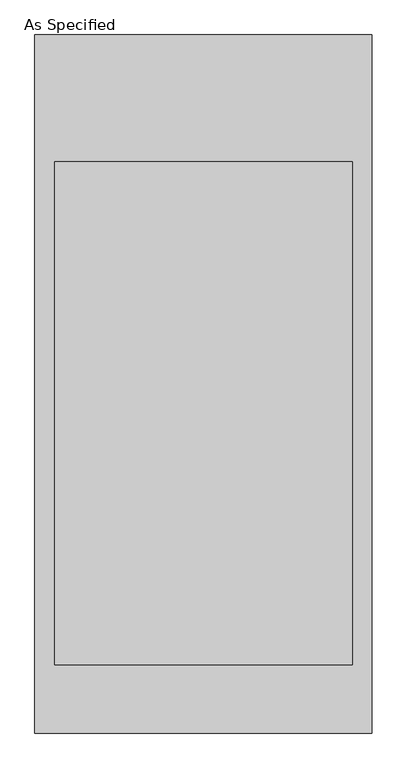
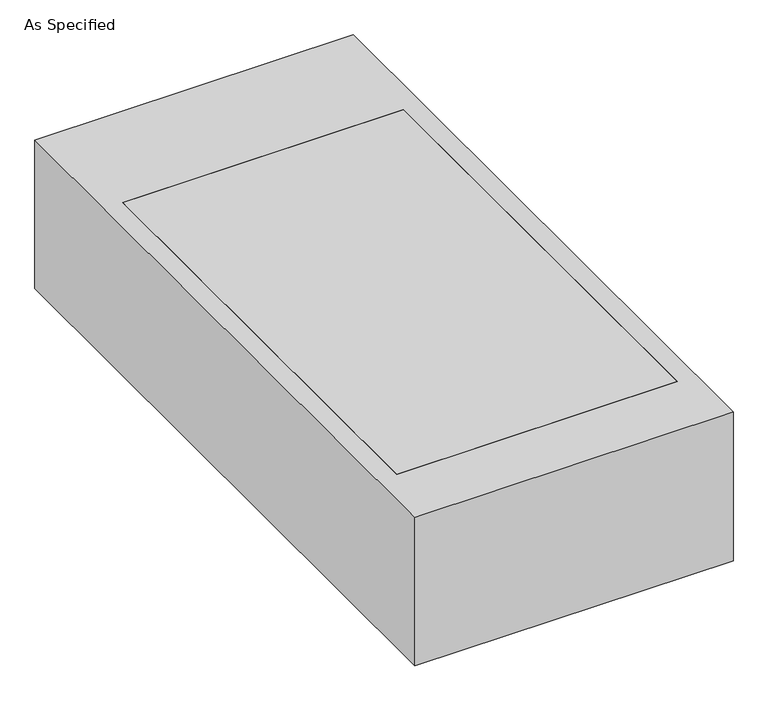
"""IFC4 building model written with IfcOpenShell, lengths in millimetres: proxy geometry, As Specified."""

from ifc_helpers import new_model, si_unit, frame, origin, place, context, project, spatial, polyline, outline, extrude, faceted_brep, source, transform, mapped, element, save


def as_specified_4e7eb229(model_context):
    return source(origin(), model_context, "Body", "SolidModel", [
        faceted_brep([(450.85, -850.9, -25.4), (450.85, 673.1, -25.4), (450.85, 673.1, -373.0625), (450.85, -850.9, -373.0625), (-511.175, 1057.275, -25.4), (-511.175, 1057.275, -530.225), (-511.175, -1057.275, -530.225), (-511.175, -1057.275, -25.4), (-450.85, 673.1, -25.4), (-450.85, -850.9, -25.4), (-450.85, -850.9, -373.0625), (-450.85, 673.1, -373.0625), (511.175, 1057.275, -25.4), (511.175, -1057.275, -25.4), (511.175, -1057.275, -530.225), (511.175, 1057.275, -530.225)], [[[0, 1, 2, 3]], [[4, 5, 6, 7]], [[8, 9, 10, 11]], [[12, 4, 7, 13], [9, 8, 1, 0]], [[12, 13, 14, 15]], [[14, 13, 7, 6]], [[15, 14, 6, 5]], [[12, 15, 5, 4]], [[8, 11, 2, 1]], [[11, 10, 3, 2]], [[10, 9, 0, 3]]]),
        extrude(outline(polyline([(450.85, 673.1), (450.85, -850.9), (-450.85, -850.9), (-450.85, 673.1), (450.85, 673.1)])), frame((0.0, 0.0, -373.0625), z_axis=(0.0, 0.0, 1.0), x_axis=(1.0, 0.0, 0.0)), (0.0, 0.0, 1.0), 347.6625),
    ])


if __name__ == "__main__":
    model = new_model("IFC4")
    model_context = context("Model", 3, world=origin())
    ifc_project = project(units=[si_unit("LENGTHUNIT", "METRE", prefix="MILLI")], contexts=[model_context])
    site = spatial("IfcSite", under=ifc_project)
    building = spatial("IfcBuilding", under=site)
    placement = place(None, origin())
    as_specified_shape = as_specified_4e7eb229(model_context)
    element("IfcBuildingElementProxy", 1, Name="As Specified", ObjectType="As Specified", at=placement, inside=building, context=model_context, shape_type="MappedRepresentation", body=[
        mapped(as_specified_shape, transform((0.0, 0.0, 0.0), x_axis=(1.0, 0.0, 0.0), y_axis=(0.0, 1.0, 0.0), z_axis=(0.0, 0.0, 1.0))),
    ])
    save(model, "model.ifc")
